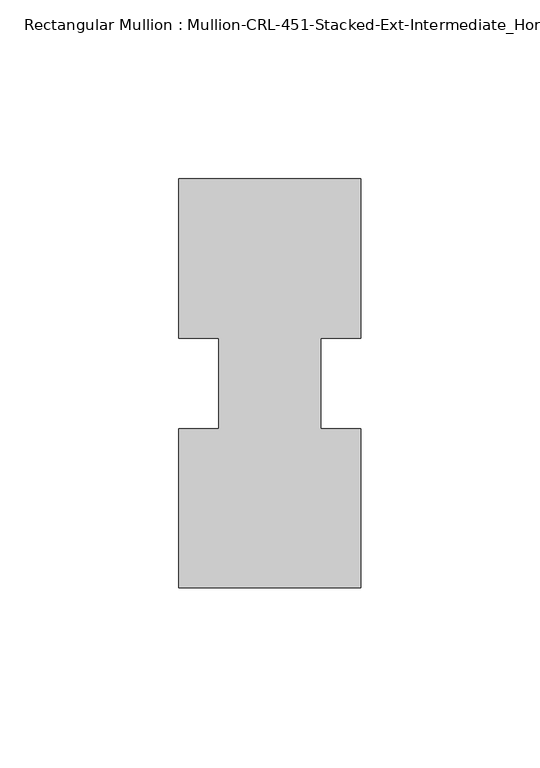
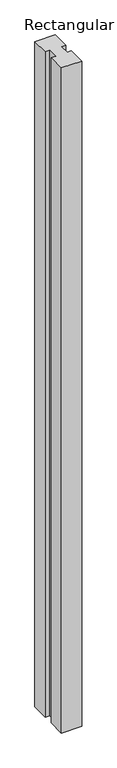
"""IFC4 building model written with IfcOpenShell, lengths in millimetres: member geometry, Rectangular Mullion : Mullion-CRL-451-Stacked-Ext-Intermediate_Horizontal."""

from ifc_helpers import new_model, si_unit, frame, origin, place, context, project, spatial, polyline, outline, extrude, source, transform, mapped, element, save


def rectangular_mullion_mullion_crl_451_stacked_ext_intermediate_4dce9f2f(model_context):
    return source(origin(), model_context, "Body", "SweptSolid", [
        extrude(outline(polyline([(25.4, -57.15), (-25.4, -57.15), (-25.4, -12.7), (-14.2875, -12.7), (-14.2875, 12.6906895), (-25.4, 12.6906895), (-25.4, 57.15), (25.4, 57.15), (25.4, 12.6906895), (14.2875, 12.6906895), (14.2875, -12.7), (25.4, -12.7), (25.4, -57.15)])), frame((0.0, 0.0, -1752.6), z_axis=(0.0, 0.0, 1.0), x_axis=(1.0, 0.0, 0.0)), (0.0, 0.0, 1.0), 1752.6),
    ])


if __name__ == "__main__":
    model = new_model("IFC4")
    model_context = context("Model", 3, world=origin())
    ifc_project = project(units=[si_unit("LENGTHUNIT", "METRE", prefix="MILLI")], contexts=[model_context])
    site = spatial("IfcSite", under=ifc_project)
    building = spatial("IfcBuilding", under=site)
    placement = place(None, origin())
    rectangular_mullion_mullion_crl_451_stacked_ext_intermediate_shape = rectangular_mullion_mullion_crl_451_stacked_ext_intermediate_4dce9f2f(model_context)
    element("IfcMember", 1, ObjectType="Rectangular Mullion : Mullion-CRL-451-Stacked-Ext-Intermediate_Horizontal", at=placement, inside=building, context=model_context, shape_type="MappedRepresentation", body=[
        mapped(rectangular_mullion_mullion_crl_451_stacked_ext_intermediate_shape, transform((0.0, 0.0, 0.0), x_axis=(1.0, 0.0, 0.0), y_axis=(0.0, 1.0, 0.0), z_axis=(0.0, 0.0, 1.0))),
    ])
    save(model, "model.ifc")
